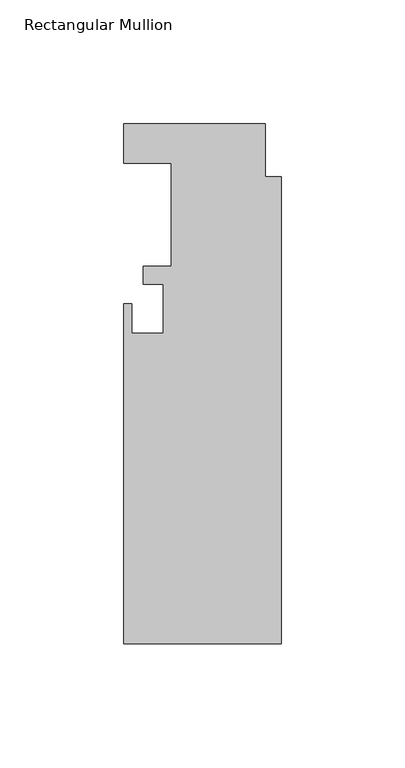
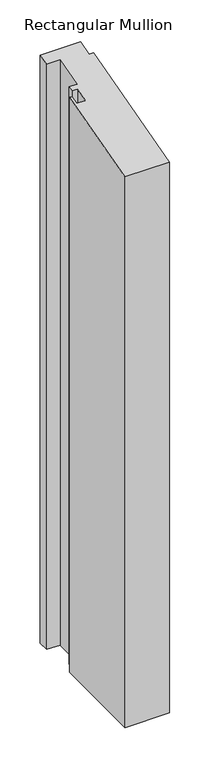
"""IFC4 building model written with IfcOpenShell, lengths in millimetres: member geometry, Rectangular Mullion."""

from ifc_helpers import new_model, si_unit, origin, place, context, project, spatial, faceted_brep, source, transform, mapped, element, save


def rectangular_mullion_fa093302(model_context):
    return source(origin(), model_context, "Body", "Brep", [
        faceted_brep([(-63.5, 4.8458438, -881.0643319), (-63.5, 20.7208438, -881.0643319), (-6.35, 20.7208438, -881.0643319), (-6.35, -0.5643562, -881.0643319), (0.0, -0.5643562, -881.0643319), (0.0, -189.2101562, -881.0643319), (-63.5, -189.2101562, -881.0643319), (-63.5, -51.8723562, -881.0643319), (-60.325, -51.8723562, -881.0643319), (-60.325, -63.7849562, -881.0643319), (-47.625, -63.7849562, -881.0643319), (-47.625, -43.9729562, -881.0643319), (-55.5752, -43.9729562, -881.0643319), (-55.5752, -36.8101562, -881.0643319), (-44.45, -36.8101562, -881.0643319), (-44.45, 4.8458438, -881.0643319), (-44.45, 4.8458438, 1.2984399), (-63.5, 4.8458438, 1.2984399), (-44.45, -36.8101562, -9.8632516), (-55.5752, -36.8101562, -9.8632516), (-55.5752, -43.9729562, -11.7825181), (-47.625, -43.9729562, -11.7825181), (-47.625, -63.7849562, -17.0911275), (-60.325, -63.7849562, -17.0911275), (-60.325, -51.8723562, -13.899156), (-63.5, -51.8723562, -13.899156), (-63.5, -189.2101562, -50.6987086), (0.0, -189.2101562, -50.6987086), (0.0, -0.5643562, -0.1512188), (-6.35, -0.5643562, -0.1512188), (-6.35, 20.7208438, 5.5521333), (-63.5, 20.7208438, 5.5521333)], [[[0, 1, 2, 3, 4, 5, 6, 7, 8, 9, 10, 11, 12, 13, 14, 15]], [[16, 17, 0, 15]], [[18, 16, 15, 14]], [[19, 18, 14, 13]], [[20, 19, 13, 12]], [[21, 20, 12, 11]], [[22, 21, 11, 10]], [[23, 22, 10, 9]], [[24, 23, 9, 8]], [[25, 24, 8, 7]], [[26, 25, 7, 6]], [[27, 26, 6, 5]], [[28, 27, 5, 4]], [[29, 28, 4, 3]], [[30, 29, 3, 2]], [[31, 30, 2, 1]], [[17, 31, 1, 0]], [[17, 16, 18, 19, 20, 21, 22, 23, 24, 25, 26, 27, 28, 29, 30, 31]]]),
    ])


if __name__ == "__main__":
    model = new_model("IFC4")
    model_context = context("Model", 3, world=origin())
    ifc_project = project(units=[si_unit("LENGTHUNIT", "METRE", prefix="MILLI")], contexts=[model_context])
    site = spatial("IfcSite", under=ifc_project)
    building = spatial("IfcBuilding", under=site)
    placement = place(None, origin())
    rectangular_mullion_shape = rectangular_mullion_fa093302(model_context)
    element("IfcMember", 1, ObjectType="Rectangular Mullion", at=placement, inside=building, context=model_context, shape_type="MappedRepresentation", body=[
        mapped(rectangular_mullion_shape, transform((0.0, 0.0, 0.0), x_axis=(1.0, 0.0, 0.0), y_axis=(0.0, 1.0, 0.0), z_axis=(0.0, 0.0, 1.0))),
    ])
    save(model, "model.ifc")
